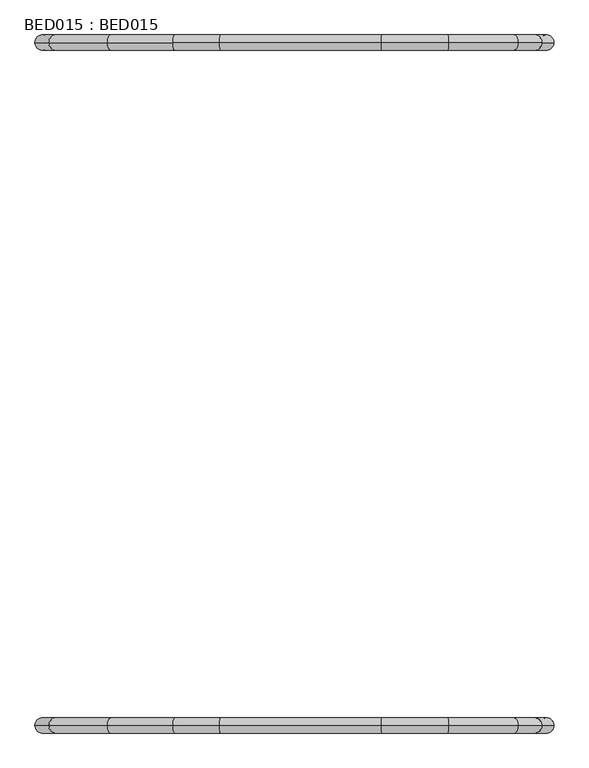
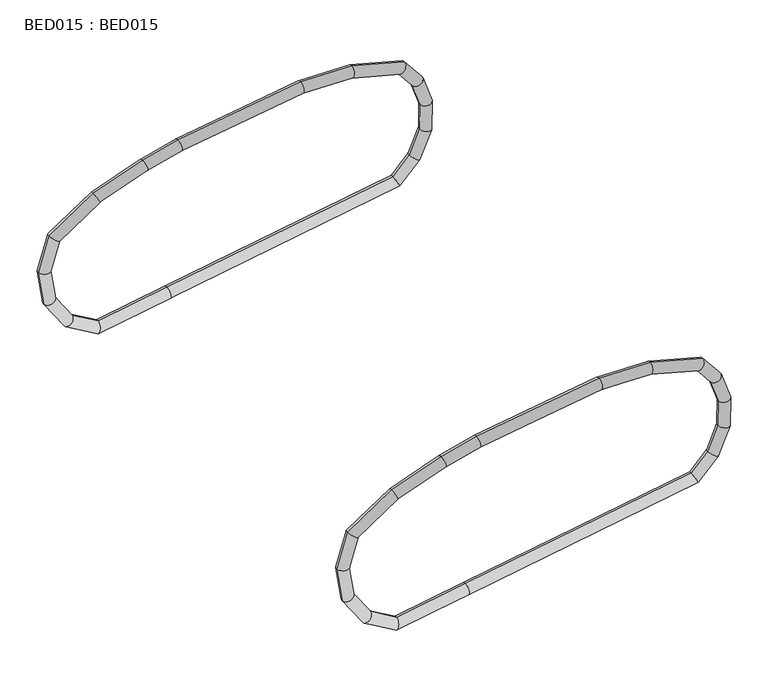
"""IFC4 building model written with IfcOpenShell, lengths in millimetres: proxy geometry, BED015 : BED015."""

import ifcopenshell
import ifcopenshell.guid

model = None  # the IFC model being written
_history = None  # IfcOwnerHistory: only IFC2X3 demands one
_inside = {}  # id of a spatial element -> (the spatial element, [elements in it])
_under = {}  # id of a project, library or spatial element -> (it, [spatial elements below it])
_declared = {}  # id of a project -> (the project, [libraries it declares])
_typed = {}  # id of a type object -> (the type object, [elements of that type])
_made_of = {}  # id of a material, layer set ... -> (it, [elements and type objects made of it])


def new_model(schema):
    """Start an empty IFC model of exactly this schema.

    Asked for "IFC4X3", IfcOpenShell would pick the latest addendum, in which some entities
    have other attributes; the version numbers below select the first issue.
    IFC2X3 requires an IfcOwnerHistory on every rooted entity: one is made here for all.
    """
    global model, _history
    if schema == "IFC4X3":
        model = ifcopenshell.file(schema_version=(4, 3, 0, 0))
    else:
        model = ifcopenshell.file(schema=schema)
    _inside.clear()
    _under.clear()
    _declared.clear()
    _typed.clear()
    _made_of.clear()
    _history = None
    if model.schema == "IFC2X3":
        org = make("IfcOrganization", Name="unknown")
        user = make(
            "IfcPersonAndOrganization",
            ThePerson=make("IfcPerson", FamilyName="unknown"),
            TheOrganization=org,
        )
        app = make(
            "IfcApplication",
            ApplicationDeveloper=org,
            Version="unknown",
            ApplicationFullName="unknown",
            ApplicationIdentifier="unknown",
        )
        _history = make(
            "IfcOwnerHistory",
            OwningUser=user,
            OwningApplication=app,
            ChangeAction="ADDED",
            CreationDate=0,
        )
    return model


def make(cls, **values):
    """One entity of the class cls with the attributes given. An attribute that is None is left unset."""
    return model.create_entity(
        cls, **{name: value for name, value in values.items() if value is not None}
    )


def rooted(cls, **values):
    """An entity with a GlobalId (a new one), such as an element, a storey or a relation."""
    return make(cls, GlobalId=ifcopenshell.guid.new(), OwnerHistory=_history, **values)


def si_unit(unit_type, name, prefix=None):
    """IfcSIUnit, for example si_unit("LENGTHUNIT", "METRE", prefix="MILLI")."""
    return make("IfcSIUnit", UnitType=unit_type, Prefix=prefix, Name=name)


def assignment(units):
    """IfcUnitAssignment: the units of a project."""
    return None if units is None else make("IfcUnitAssignment", Units=units)


def point(xyz):
    """IfcCartesianPoint."""
    return None if xyz is None else make("IfcCartesianPoint", Coordinates=xyz)


def direction(xyz):
    """IfcDirection."""
    return None if xyz is None else make("IfcDirection", DirectionRatios=xyz)


def frame(location, z_axis=None, x_axis=None):
    """IfcAxis2Placement3D, a coordinate frame: its origin and axes. An axis left out is left unset."""
    return make(
        "IfcAxis2Placement3D",
        Location=point(location),
        Axis=direction(z_axis),
        RefDirection=direction(x_axis),
    )


def origin():
    """The frame at (0, 0, 0) with its axes left unset."""
    return frame((0.0, 0.0, 0.0))


def place(relative_to, where):
    """IfcLocalPlacement: puts the frame where relative to a parent placement (None: the world)."""
    return make(
        "IfcLocalPlacement", PlacementRelTo=relative_to, RelativePlacement=where
    )


def context(
    kind, dimensions, precision=None, world=None, true_north=None, identifier=None
):
    """IfcGeometricRepresentationContext, for example the 3D "Model" context."""
    return make(
        "IfcGeometricRepresentationContext",
        ContextIdentifier=identifier,
        ContextType=kind,
        CoordinateSpaceDimension=dimensions,
        Precision=precision,
        WorldCoordinateSystem=world,
        TrueNorth=true_north,
    )


def project(units=None, contexts=None):
    """IfcProject with its units and contexts."""
    return rooted(
        "IfcProject",
        Name="project",
        RepresentationContexts=contexts,
        UnitsInContext=assignment(units),
    )


def spatial(cls, under=None, at=None, **own):
    """A site, building, storey or space (cls), placed at a placement, below another one or the project."""
    s = rooted(cls, ObjectPlacement=at, **own)
    if under is not None:
        _under.setdefault(under.id(), (under, []))[1].append(s)
    return s


def circle_curve(where, radius):
    """IfcCircle in the frame where."""
    return make("IfcCircle", Position=where, Radius=radius)


def ellipse_curve(where, semi_axis1, semi_axis2):
    """IfcEllipse in the frame where."""
    return make(
        "IfcEllipse", Position=where, SemiAxis1=semi_axis1, SemiAxis2=semi_axis2
    )


def shape(context_of_items, identifier, shape_type, items):
    """IfcShapeRepresentation: the items that make up one representation, for example the "Body"."""
    return make(
        "IfcShapeRepresentation",
        ContextOfItems=context_of_items,
        RepresentationIdentifier=identifier,
        RepresentationType=shape_type,
        Items=items,
    )


def source(mapping_origin, context_of_items, identifier, shape_type, items):
    """IfcRepresentationMap: a shape defined once, which mapped items show again and again."""
    return make(
        "IfcRepresentationMap",
        MappingOrigin=mapping_origin,
        MappedRepresentation=shape(context_of_items, identifier, shape_type, items),
    )


def transform(
    local_origin,
    x_axis=None,
    y_axis=None,
    z_axis=None,
    scale=None,
    scale2=None,
    scale3=None,
    uniform=True,
):
    """IfcCartesianTransformationOperator3D, or its non-uniform kind. x_axis, y_axis, z_axis: its Axis1, 2, 3."""
    if uniform:
        return make(
            "IfcCartesianTransformationOperator3D",
            Axis1=direction(x_axis),
            Axis2=direction(y_axis),
            LocalOrigin=point(local_origin),
            Scale=scale,
            Axis3=direction(z_axis),
        )
    return make(
        "IfcCartesianTransformationOperator3DnonUniform",
        Axis1=direction(x_axis),
        Axis2=direction(y_axis),
        LocalOrigin=point(local_origin),
        Scale=scale,
        Axis3=direction(z_axis),
        Scale2=scale2,
        Scale3=scale3,
    )


def mapped(mapping_source, mapping_target):
    """IfcMappedItem: shows the shape of a source again, moved by a transform."""
    return make(
        "IfcMappedItem", MappingSource=mapping_source, MappingTarget=mapping_target
    )


def made_of(thing, what):
    """Note that an element or type object is made of a material, layer set ...; save() writes the relation."""
    if what is not None:
        _made_of.setdefault(what.id(), (what, []))[1].append(thing)
    return thing


def element(
    cls,
    number,
    at=None,
    inside=None,
    cuts=None,
    type_object=None,
    material=None,
    context=None,
    identifier="Body",
    shape_type=None,
    held_by="IfcProductDefinitionShape",
    body=None,
    shapes=None,
    **own,
):
    """One element of the class cls, such as IfcWall. Its Tag is "e" and its number.

    at: its placement. inside: the storey or other place that contains it. cuts: it is an
    opening in that element (IfcRelVoidsElement). A single representation is given by context,
    identifier, shape_type and body (its items); several are given by shapes. held_by: the class
    of the entity that holds the representations. save() writes the other relations.
    """
    e = rooted(cls, Tag="e%d" % number, ObjectPlacement=at, **own)
    if body is not None:
        shapes = [shape(context, identifier, shape_type, body)]
    if shapes is not None:
        e.Representation = make(held_by, Representations=shapes)
    if inside is not None:
        _inside.setdefault(inside.id(), (inside, []))[1].append(e)
    if cuts is not None:
        rooted(
            "IfcRelVoidsElement", RelatingBuildingElement=cuts, RelatedOpeningElement=e
        )
    if type_object is not None:
        _typed.setdefault(type_object.id(), (type_object, []))[1].append(e)
    return made_of(e, material)


def aggregate(whole, parts):
    """IfcRelAggregates: a whole, such as a stair, and the parts it consists of."""
    return rooted("IfcRelAggregates", RelatingObject=whole, RelatedObjects=parts)


def save(model, path):
    """Write the relations noted so far, then the file.

    IfcRelAggregates (storeys below a building ...), IfcRelContainedInSpatialStructure (elements
    in a storey), IfcRelDefinesByType, IfcRelAssociatesMaterial and IfcRelDeclares: one each for
    every whole, place, type object, material and project.
    """
    for whole, parts in _under.values():
        aggregate(whole, parts)
    for where, things in _inside.values():
        rooted(
            "IfcRelContainedInSpatialStructure",
            RelatedElements=things,
            RelatingStructure=where,
        )
    for kind, things in _typed.values():
        rooted("IfcRelDefinesByType", RelatedObjects=things, RelatingType=kind)
    for what, things in _made_of.values():
        rooted("IfcRelAssociatesMaterial", RelatedObjects=things, RelatingMaterial=what)
    for by, libraries in _declared.values():
        rooted("IfcRelDeclares", RelatingContext=by, RelatedDefinitions=libraries)
    model.write(path)


def cylinder_surface(at, radius):
    """IfcCylindricalSurface: all points at the distance radius from the z axis of the frame at."""
    return make("IfcCylindricalSurface", Position=at, Radius=radius)


def advanced_brep(points, edges, surfaces, faces):
    """IfcAdvancedBrep: a solid bounded by faces that lie on surfaces and meet in shared edges.

    An edge is (start, end): straight between two places in points (the first is 0);
    or (start, end, curve); or (start, end, curve, False) where it runs against its curve.
    A face is (place in surfaces, loops), or (place, loops, False) where it looks against
    its surface's normal. A loop lists edges by number (the first is 1), with a minus sign
    where the edge is run from its end to its start. The first loop is the outer one.
    """
    corners = [point(p) for p in points]
    vertices = [make("IfcVertexPoint", VertexGeometry=c) for c in corners]
    made = []
    for start, end, *more in edges:
        made.append(
            make(
                "IfcEdgeCurve",
                EdgeStart=vertices[start],
                EdgeEnd=vertices[end],
                EdgeGeometry=more[0] if more else make("IfcPolyline", Points=[corners[start], corners[end]]),
                SameSense=more[1] if len(more) > 1 else True,
            )
        )
    hull = []
    for where, loops, *sense in faces:
        bounds = []
        for j, loop in enumerate(loops):
            ring = [make("IfcOrientedEdge", EdgeElement=made[abs(k) - 1], Orientation=k > 0) for k in loop]
            bounds.append(
                make(
                    "IfcFaceOuterBound" if j == 0 else "IfcFaceBound",
                    Bound=make("IfcEdgeLoop", EdgeList=ring),
                    Orientation=True,
                )
            )
        hull.append(make("IfcAdvancedFace", Bounds=bounds, FaceSurface=surfaces[where], SameSense=sense[0] if sense else True))
    return make("IfcAdvancedBrep", Outer=make("IfcClosedShell", CfsFaces=hull))


def bed015_bed015_c1af1c51(model_context):
    return source(origin(), model_context, "Body", "AdvancedBrep", [
        advanced_brep(
        [(1320.0134286, -1052.4975002, 734.6955513), (1300.2664581, -1052.4975002, 749.3244763), (1388.9695051, -1052.4975002, 808.3729209), (1399.4397262, -1052.4975002, 787.5685867), (1488.7012363, -1052.4975002, 844.2360982), (1495.478822, -1052.4975002, 822.1039053), (1559.8152408, -1052.4975002, 862.328631), (1564.4188805, -1052.4975002, 839.6433517), (1806.7401892, -1052.4975002, 899.9765683), (1808.2097978, -1052.4975002, 876.8134523), (1910.0801343, -1052.4975002, 897.435999), (1906.7818383, -1052.4975002, 874.3901), (2016.0217488, -1052.4975002, 869.2842314), (2002.7983539, -1052.4975002, 848.8757197), (2052.1908023, -1052.4975002, 824.61917), (2031.6576495, -1052.4975002, 813.2374575), (2070.690254, -1052.4975002, 770.8928612), (2047.5026269, -1052.4975002, 767.2203019), (2069.6375997, -1052.4975002, 710.5863383), (2046.5995529, -1052.4975002, 715.4832263), (2045.7444661, -1052.4975002, 654.2976428), (2026.1366915, -1052.4975002, 667.2757457), (2004.1092848, -1052.4975002, 611.1831505), (1992.7741923, -1052.4975002, 632.7278665), (1542.1878074, -1052.4975002, 533.8885283), (1538.3721238, -1052.4975002, 556.6914882), (1395.3267662, -1052.4975002, 509.3122481), (1399.7130929, -1052.4975002, 533.4877633), (1331.1096938, -1052.4975002, 546.4888484), (1347.2303117, -1052.4975002, 563.8711381), (1290.0793499, -1052.4975002, 606.4553402), (1312.1205356, -1052.4975002, 615.1846272), (1278.9247222, -1052.4975002, 678.2548369), (1302.5752641, -1052.4975002, 676.6251081)],
        [
            (0, 1, ellipse_curve(frame((1310.1399433, -1052.4975002, 742.0100138), z_axis=(0.5952679977964419, 0.0, 0.8035272309009914), x_axis=(-0.8035272309009917, 0.0, 0.5952679977964418)), 12.2876797, 11.5600002)),
            (1, 2),
            (2, 3, ellipse_curve(frame((1394.2046157, -1052.4975002, 797.9707538), z_axis=(-0.8932553497472319, 0.0, -0.4495496414723854), x_axis=(0.4495496414723843, 0.0, -0.8932553497472325)), 11.6452335, 11.5600002)),
            (3, 0),
            (1, 0, ellipse_curve(frame((1310.1399433, -1052.4975002, 742.0100138), z_axis=(0.5952679977964419, 0.0, 0.8035272309009914), x_axis=(-0.8035272309009917, 0.0, 0.5952679977964418)), 12.2876797, 11.5600002)),
            (3, 2, ellipse_curve(frame((1394.2046157, -1052.4975002, 797.9707538), z_axis=(-0.8932553497472319, 0.0, -0.4495496414723854), x_axis=(0.4495496414723843, 0.0, -0.8932553497472325)), 11.6452335, 11.5600002)),
            (2, 4),
            (4, 5, ellipse_curve(frame((1492.0900291, -1052.4975002, 833.1700018), z_axis=(-0.9561706318018292, 0.0, -0.29281004572878155), x_axis=(0.2928100457287881, 0.0, -0.9561706318018269)), 11.573349, 11.5600002)),
            (5, 3),
            (5, 4, ellipse_curve(frame((1492.0900291, -1052.4975002, 833.1700018), z_axis=(-0.9561706318018292, 0.0, -0.29281004572878155), x_axis=(0.2928100457287881, 0.0, -0.9561706318018269)), 11.573349, 11.5600002)),
            (4, 6),
            (6, 7, ellipse_curve(frame((1562.1170607, -1052.4975002, 850.9859914), z_axis=(-0.9800236061154073, 0.0, -0.19888119935416934), x_axis=(0.19888119935416562, 0.0, -0.9800236061154081)), 11.5738433, 11.5600002)),
            (7, 5),
            (7, 6, ellipse_curve(frame((1562.1170607, -1052.4975002, 850.9859914), z_axis=(-0.9800236061154073, 0.0, -0.19888119935416934), x_axis=(0.19888119935416562, 0.0, -0.9800236061154081)), 11.5738433, 11.5600002)),
            (6, 8),
            (8, 9, ellipse_curve(frame((1807.4749935, -1052.4975002, 888.3950103), z_axis=(-0.9979933545134322, 0.0, -0.06331875193832393), x_axis=(0.06331875193832581, 0.0, -0.997993354513432)), 11.6048448, 11.5600002)),
            (9, 7),
            (9, 8, ellipse_curve(frame((1807.4749935, -1052.4975002, 888.3950103), z_axis=(-0.9979933545134322, 0.0, -0.06331875193832393), x_axis=(0.06331875193832581, 0.0, -0.997993354513432)), 11.6048448, 11.5600002)),
            (8, 10),
            (10, 11, ellipse_curve(frame((1908.4309863, -1052.4975002, 885.9130495), z_axis=(-0.9899132313294727, 0.0, 0.1416749605217578), x_axis=(-0.14167496052175985, 0.0, -0.9899132313294725)), 11.6403632, 11.5600002)),
            (11, 9),
            (11, 10, ellipse_curve(frame((1908.4309863, -1052.4975002, 885.9130495), z_axis=(-0.9899132313294727, 0.0, 0.1416749605217578), x_axis=(-0.14167496052175985, 0.0, -0.9899132313294725)), 11.6403632, 11.5600002)),
            (10, 12),
            (12, 13, ellipse_curve(frame((2009.4100513, -1052.4975002, 859.0799755), z_axis=(-0.8392345109165832, 0.0, 0.5437696531497539), x_axis=(-0.5437696531497532, 0.0, -0.8392345109165835)), 12.1590041, 11.5600002)),
            (13, 11),
            (13, 12, ellipse_curve(frame((2009.4100513, -1052.4975002, 859.0799755), z_axis=(-0.8392345109165832, 0.0, 0.5437696531497539), x_axis=(-0.5437696531497532, 0.0, -0.8392345109165835)), 12.1590041, 11.5600002)),
            (12, 14),
            (14, 15, ellipse_curve(frame((2041.9242259, -1052.4975002, 818.9283138), z_axis=(-0.48480962024633395, 0.0, 0.8746197071393975), x_axis=(-0.8746197071393975, 0.0, -0.48480962024633395)), 11.7383319, 11.5600002)),
            (15, 13),
            (15, 14, ellipse_curve(frame((2041.9242259, -1052.4975002, 818.9283138), z_axis=(-0.48480962024633395, 0.0, 0.8746197071393975), x_axis=(-0.8746197071393975, 0.0, -0.48480962024633395)), 11.7383319, 11.5600002)),
            (14, 16),
            (16, 17, ellipse_curve(frame((2059.0964405, -1052.4975002, 769.0565816), z_axis=(-0.15643446504022743, 0.0, 0.9876883405951383), x_axis=(-0.9876883405951382, 0.0, -0.15643446504022812)), 11.7383319, 11.5600002)),
            (17, 15),
            (17, 16, ellipse_curve(frame((2059.0964405, -1052.4975002, 769.0565816), z_axis=(-0.15643446504022743, 0.0, 0.9876883405951383), x_axis=(-0.9876883405951382, 0.0, -0.15643446504022812)), 11.7383319, 11.5600002)),
            (16, 18),
            (18, 19, ellipse_curve(frame((2058.1185763, -1052.4975002, 713.0347823), z_axis=(0.2079116908177615, 0.0, 0.9781476007338051), x_axis=(-0.9781476007338051, 0.0, 0.20791169081776167)), 11.7763652, 11.5600002)),
            (19, 17),
            (19, 18, ellipse_curve(frame((2058.1185763, -1052.4975002, 713.0347823), z_axis=(0.2079116908177615, 0.0, 0.9781476007338051), x_axis=(-0.9781476007338051, 0.0, 0.20791169081776167)), 11.7763652, 11.5600002)),
            (18, 20),
            (20, 21, ellipse_curve(frame((2035.9405788, -1052.4975002, 660.7866943), z_axis=(0.5519369853120589, 0.0, 0.8338858220671678), x_axis=(-0.8338858220671681, 0.0, 0.5519369853120583)), 11.7568701, 11.5600002)),
            (21, 19),
            (21, 20, ellipse_curve(frame((2035.9405788, -1052.4975002, 660.7866943), z_axis=(0.5519369853120589, 0.0, 0.8338858220671678), x_axis=(-0.8338858220671681, 0.0, 0.5519369853120583)), 11.7568701, 11.5600002)),
            (20, 22),
            (22, 23, ellipse_curve(frame((1998.4417385, -1052.4975002, 621.9555085), z_axis=(0.8849898549562426, 0.0, 0.4656103055394379), x_axis=(-0.4656103055394383, 0.0, 0.8849898549562423)), 12.1722955, 11.5600002)),
            (23, 21),
            (23, 22, ellipse_curve(frame((1998.4417385, -1052.4975002, 621.9555085), z_axis=(0.8849898549562426, 0.0, 0.4656103055394379), x_axis=(-0.4656103055394383, 0.0, 0.8849898549562423)), 12.1722955, 11.5600002)),
            (22, 24),
            (24, 25, circle_curve(frame((1540.2799656, -1052.4975002, 545.2900083), z_axis=(0.9862871735809206, 0.0, 0.16503821142317043), x_axis=(-0.16503821142317043, 0.0, 0.9862871735809206)), 11.5600002)),
            (25, 23),
            (25, 24, circle_curve(frame((1540.2799656, -1052.4975002, 545.2900083), z_axis=(0.9862871735809206, 0.0, 0.16503821142317043), x_axis=(-0.16503821142317043, 0.0, 0.9862871735809206)), 11.5600002)),
            (24, 26),
            (26, 27, ellipse_curve(frame((1397.5199295, -1052.4975002, 521.4000057), z_axis=(0.9839358981166166, 0.0, -0.1785221229916524), x_axis=(0.17852212299165318, 0.0, 0.9839358981166167)), 12.2851068, 11.5600002)),
            (27, 25),
            (27, 26, ellipse_curve(frame((1397.5199295, -1052.4975002, 521.4000057), z_axis=(0.9839358981166166, 0.0, -0.1785221229916524), x_axis=(0.17852212299165318, 0.0, 0.9839358981166167)), 12.2851068, 11.5600002)),
            (26, 28),
            (28, 29, ellipse_curve(frame((1339.1700027, -1052.4975002, 555.1799932), z_axis=(0.7332156895309062, 0.0, -0.6799961416256108), x_axis=(0.6799961416256104, 0.0, 0.7332156895309067)), 11.8534628, 11.5600002)),
            (29, 27),
            (29, 28, ellipse_curve(frame((1339.1700027, -1052.4975002, 555.1799932), z_axis=(0.7332156895309062, 0.0, -0.6799961416256108), x_axis=(0.6799961416256104, 0.0, 0.7332156895309067)), 11.8534628, 11.5600002)),
            (28, 30),
            (30, 31, ellipse_curve(frame((1301.0999428, -1052.4975002, 610.8199837), z_axis=(0.3682180569071663, 0.0, -0.9297394595086899), x_axis=(0.9297394595086899, 0.0, 0.36821805690716647)), 11.8534206, 11.5600002)),
            (31, 29),
            (31, 30, ellipse_curve(frame((1301.0999428, -1052.4975002, 610.8199837), z_axis=(0.3682180569071663, 0.0, -0.9297394595086899), x_axis=(0.9297394595086899, 0.0, 0.36821805690716647)), 11.8534206, 11.5600002)),
            (30, 32),
            (32, 33, ellipse_curve(frame((1290.7499931, -1052.4975002, 677.4399725), z_axis=(-0.06874570813665698, 0.0, -0.997634215337861), x_axis=(0.9976342153378611, 0.0, -0.06874570813665672)), 11.8533133, 11.5600002)),
            (33, 31),
            (33, 32, ellipse_curve(frame((1290.7499931, -1052.4975002, 677.4399725), z_axis=(-0.06874570813665698, 0.0, -0.997634215337861), x_axis=(0.9976342153378611, 0.0, -0.06874570813665672)), 11.8533133, 11.5600002)),
            (32, 1),
            (0, 33),
        ],
        [
            cylinder_surface(frame((1310.1399433, -1052.4975002, 742.0100138), z_axis=(-0.832426576779431, 0.0, -0.554135357355293), x_axis=(0.554135357355293, 0.0, -0.832426576779431)), 11.5600002),
            cylinder_surface(frame((1394.2046157, -1052.4975002, 797.9707538), z_axis=(-0.9410083725782241, 0.0, -0.33838327786355255), x_axis=(0.33838327786355255, 0.0, -0.9410083725782241)), 11.5600002),
            cylinder_surface(frame((1492.0900291, -1052.4975002, 833.1700018), z_axis=(-0.9691271836157477, 0.0, -0.24656135540065702), x_axis=(0.24656135540065702, 0.0, -0.9691271836157477)), 11.5600002),
            cylinder_surface(frame((1562.1170607, -1052.4975002, 850.9859914), z_axis=(-0.9885756854283565, 0.0, -0.15072529376271013), x_axis=(0.15072529376271013, 0.0, -0.9885756854283565)), 11.5600002),
            cylinder_surface(frame((1807.4749935, -1052.4975002, 888.3950103), z_axis=(-0.9996979361061843, 0.0, 0.02457715494184779), x_axis=(-0.02457715494184779, 0.0, -0.9996979361061843)), 11.5600002),
            cylinder_surface(frame((1908.4309863, -1052.4975002, 885.9130495), z_axis=(-0.9664601644690195, 0.0, 0.25681656974291167), x_axis=(-0.25681656974291167, 0.0, -0.9664601644690195)), 11.5600002),
            cylinder_surface(frame((2009.4100513, -1052.4975002, 859.0799755), z_axis=(-0.6293203910498337, 0.0, 0.777145961456974), x_axis=(-0.777145961456974, 0.0, -0.6293203910498337)), 11.5600002),
            cylinder_surface(frame((2041.9242259, -1052.4975002, 818.9283138), z_axis=(-0.3255681544571546, 0.0, 0.9455185755993176), x_axis=(-0.9455185755993176, 0.0, -0.3255681544571546)), 11.5600002),
            cylinder_surface(frame((2059.0964405, -1052.4975002, 769.0565816), z_axis=(0.017452406437288237, 0.0, 0.9998476951563912), x_axis=(-0.9998476951563912, 0.0, 0.017452406437288237)), 11.5600002),
            cylinder_surface(frame((2058.1185763, -1052.4975002, 713.0347823), z_axis=(0.3907311284892735, 0.0, 0.9205048534524405), x_axis=(-0.9205048534524405, 0.0, 0.3907311284892735)), 11.5600002),
            cylinder_surface(frame((2035.9405788, -1052.4975002, 660.7866943), z_axis=(0.6946583704589988, 0.0, 0.7193398003386497), x_axis=(-0.7193398003386497, 0.0, 0.6946583704589988)), 11.5600002),
            cylinder_surface(frame((1998.4417385, -1052.4975002, 621.9555085), z_axis=(0.9862871735809206, 0.0, 0.16503821142317043), x_axis=(-0.16503821142317043, 0.0, 0.9862871735809206)), 11.5600002),
            cylinder_surface(frame((1540.2799656, -1052.4975002, 545.2900083), z_axis=(0.9862854152700605, 0.0, 0.1650487189455413), x_axis=(-0.1650487189455413, 0.0, 0.9862854152700605)), 11.5600002),
            cylinder_surface(frame((1397.5199295, -1052.4975002, 521.4000057), z_axis=(0.8654362474008165, 0.0, -0.5010190631949972), x_axis=(0.5010190631949972, 0.0, 0.8654362474008165)), 11.5600002),
            cylinder_surface(frame((1339.1700027, -1052.4975002, 555.1799932), z_axis=(0.5646899050823787, 0.0, -0.8253031631455524), x_axis=(0.8253031631455524, 0.0, 0.5646899050823787)), 11.5600002),
            cylinder_surface(frame((1301.0999428, -1052.4975002, 610.8199837), z_axis=(0.15351642236145052, 0.0, -0.9881460965187996), x_axis=(0.9881460965187996, 0.0, 0.15351642236145052)), 11.5600002),
            cylinder_surface(frame((1290.7499931, -1052.4975002, 677.4399725), z_axis=(-0.28760558060629293, 0.0, -0.9577489389209038), x_axis=(0.9577489389209038, 0.0, -0.28760558060629293)), 11.5600002),
        ],
        [
            (0, [[1, 2, 3, 4]]),
            (0, [[5, -4, 6, -2]]),
            (1, [[-3, 7, 8, 9]]),
            (1, [[-6, -9, 10, -7]]),
            (2, [[-8, 11, 12, 13]]),
            (2, [[-10, -13, 14, -11]]),
            (3, [[-12, 15, 16, 17]]),
            (3, [[-14, -17, 18, -15]]),
            (4, [[-16, 19, 20, 21]]),
            (4, [[-18, -21, 22, -19]]),
            (5, [[-20, 23, 24, 25]]),
            (5, [[-22, -25, 26, -23]]),
            (6, [[-24, 27, 28, 29]]),
            (6, [[-26, -29, 30, -27]]),
            (7, [[-28, 31, 32, 33]]),
            (7, [[-30, -33, 34, -31]]),
            (8, [[-32, 35, 36, 37]]),
            (8, [[-34, -37, 38, -35]]),
            (9, [[-36, 39, 40, 41]]),
            (9, [[-38, -41, 42, -39]]),
            (10, [[-40, 43, 44, 45]]),
            (10, [[-42, -45, 46, -43]]),
            (11, [[-44, 47, 48, 49]]),
            (11, [[-46, -49, 50, -47]]),
            (12, [[-48, 51, 52, 53]]),
            (12, [[-50, -53, 54, -51]]),
            (13, [[-52, 55, 56, 57]]),
            (13, [[-54, -57, 58, -55]]),
            (14, [[-56, 59, 60, 61]]),
            (14, [[-58, -61, 62, -59]]),
            (15, [[-60, 63, 64, 65]]),
            (15, [[-62, -65, 66, -63]]),
            (16, [[-64, 67, -1, 68]]),
            (16, [[-66, -68, -5, -67]]),
        ],
    ),
        advanced_brep(
        [(1320.0134286, -11.5600002, 734.6955513), (1300.2664581, -11.5600002, 749.3244763), (1388.9695051, -11.5600002, 808.3729209), (1399.4397262, -11.5600002, 787.5685867), (1488.7012363, -11.5600002, 844.2360982), (1495.478822, -11.5600002, 822.1039053), (1559.8152408, -11.5600002, 862.328631), (1564.4188805, -11.5600002, 839.6433517), (1806.7401892, -11.5600002, 899.9765683), (1808.2097978, -11.5600002, 876.8134523), (1910.0801343, -11.5600002, 897.435999), (1906.7818383, -11.5600002, 874.3901), (2016.0217488, -11.5600002, 869.2842314), (2002.7983539, -11.5600002, 848.8757197), (2052.1908023, -11.5600002, 824.61917), (2031.6576495, -11.5600002, 813.2374575), (2070.690254, -11.5600002, 770.8928612), (2047.5026269, -11.5600002, 767.2203019), (2069.6375997, -11.5600002, 710.5863383), (2046.5995529, -11.5600002, 715.4832263), (2045.7444661, -11.5600002, 654.2976428), (2026.1366915, -11.5600002, 667.2757457), (2004.1092848, -11.5600002, 611.1831505), (1992.7741923, -11.5600002, 632.7278665), (1542.1878074, -11.5600002, 533.8885283), (1538.3721238, -11.5600002, 556.6914882), (1395.3267662, -11.5600002, 509.3122481), (1399.7130929, -11.5600002, 533.4877633), (1331.1096938, -11.5600002, 546.4888484), (1347.2303117, -11.5600002, 563.8711381), (1290.0793499, -11.5600002, 606.4553402), (1312.1205356, -11.5600002, 615.1846272), (1278.9247222, -11.5600002, 678.2548369), (1302.5752641, -11.5600002, 676.6251081)],
        [
            (0, 1, ellipse_curve(frame((1310.1399433, -11.5600002, 742.0100138), z_axis=(0.5952679977964418, 0.0, 0.8035272309009914), x_axis=(-0.8035272309009919, 0.0, 0.5952679977964414)), 12.2876797, 11.5600002)),
            (1, 2),
            (2, 3, ellipse_curve(frame((1394.2046157, -11.5600002, 797.9707538), z_axis=(-0.8932553497472319, 0.0, -0.4495496414723854), x_axis=(0.4495496414723839, 0.0, -0.8932553497472326)), 11.6452335, 11.5600002)),
            (3, 0),
            (1, 0, ellipse_curve(frame((1310.1399433, -11.5600002, 742.0100138), z_axis=(0.5952679977964418, 0.0, 0.8035272309009914), x_axis=(-0.8035272309009919, 0.0, 0.5952679977964414)), 12.2876797, 11.5600002)),
            (3, 2, ellipse_curve(frame((1394.2046157, -11.5600002, 797.9707538), z_axis=(-0.8932553497472319, 0.0, -0.4495496414723854), x_axis=(0.4495496414723839, 0.0, -0.8932553497472326)), 11.6452335, 11.5600002)),
            (2, 4),
            (4, 5, ellipse_curve(frame((1492.0900291, -11.5600002, 833.1700018), z_axis=(-0.9561706318018292, 0.0, -0.29281004572878155), x_axis=(0.2928100457287881, 0.0, -0.9561706318018269)), 11.573349, 11.5600002)),
            (5, 3),
            (5, 4, ellipse_curve(frame((1492.0900291, -11.5600002, 833.1700018), z_axis=(-0.9561706318018292, 0.0, -0.29281004572878155), x_axis=(0.2928100457287881, 0.0, -0.9561706318018269)), 11.573349, 11.5600002)),
            (4, 6),
            (6, 7, ellipse_curve(frame((1562.1170607, -11.5600002, 850.9859914), z_axis=(-0.9800236061154073, 0.0, -0.19888119935416929), x_axis=(0.19888119935416562, 0.0, -0.9800236061154081)), 11.5738433, 11.5600002)),
            (7, 5),
            (7, 6, ellipse_curve(frame((1562.1170607, -11.5600002, 850.9859914), z_axis=(-0.9800236061154073, 0.0, -0.19888119935416929), x_axis=(0.19888119935416562, 0.0, -0.9800236061154081)), 11.5738433, 11.5600002)),
            (6, 8),
            (8, 9, ellipse_curve(frame((1807.4749935, -11.5600002, 888.3950103), z_axis=(-0.9979933545134322, 0.0, -0.06331875193832387), x_axis=(0.06331875193832455, 0.0, -0.9979933545134321)), 11.6048448, 11.5600002)),
            (9, 7),
            (9, 8, ellipse_curve(frame((1807.4749935, -11.5600002, 888.3950103), z_axis=(-0.9979933545134322, 0.0, -0.06331875193832387), x_axis=(0.06331875193832455, 0.0, -0.9979933545134321)), 11.6048448, 11.5600002)),
            (8, 10),
            (10, 11, ellipse_curve(frame((1908.4309863, -11.5600002, 885.9130495), z_axis=(-0.9899132313294727, 0.0, 0.14167496052175785), x_axis=(-0.14167496052175985, 0.0, -0.9899132313294725)), 11.6403632, 11.5600002)),
            (11, 9),
            (11, 10, ellipse_curve(frame((1908.4309863, -11.5600002, 885.9130495), z_axis=(-0.9899132313294727, 0.0, 0.14167496052175785), x_axis=(-0.14167496052175985, 0.0, -0.9899132313294725)), 11.6403632, 11.5600002)),
            (10, 12),
            (12, 13, ellipse_curve(frame((2009.4100513, -11.5600002, 859.0799755), z_axis=(-0.8392345109165832, 0.0, 0.5437696531497539), x_axis=(-0.5437696531497532, 0.0, -0.8392345109165834)), 12.1590041, 11.5600002)),
            (13, 11),
            (13, 12, ellipse_curve(frame((2009.4100513, -11.5600002, 859.0799755), z_axis=(-0.8392345109165832, 0.0, 0.5437696531497539), x_axis=(-0.5437696531497532, 0.0, -0.8392345109165834)), 12.1590041, 11.5600002)),
            (12, 14),
            (14, 15, ellipse_curve(frame((2041.9242259, -11.5600002, 818.9283138), z_axis=(-0.4848096202463341, 0.0, 0.8746197071393976), x_axis=(-0.8746197071393962, 0.0, -0.484809620246336)), 11.7383319, 11.5600002)),
            (15, 13),
            (15, 14, ellipse_curve(frame((2041.9242259, -11.5600002, 818.9283138), z_axis=(-0.4848096202463341, 0.0, 0.8746197071393976), x_axis=(-0.8746197071393962, 0.0, -0.484809620246336)), 11.7383319, 11.5600002)),
            (14, 16),
            (16, 17, ellipse_curve(frame((2059.0964405, -11.5600002, 769.0565816), z_axis=(-0.1564344650402275, 0.0, 0.9876883405951383), x_axis=(-0.9876883405951382, 0.0, -0.15643446504022815)), 11.7383319, 11.5600002)),
            (17, 15),
            (17, 16, ellipse_curve(frame((2059.0964405, -11.5600002, 769.0565816), z_axis=(-0.1564344650402275, 0.0, 0.9876883405951383), x_axis=(-0.9876883405951382, 0.0, -0.15643446504022815)), 11.7383319, 11.5600002)),
            (16, 18),
            (18, 19, ellipse_curve(frame((2058.1185763, -11.5600002, 713.0347823), z_axis=(0.20791169081776137, 0.0, 0.9781476007338051), x_axis=(-0.9781476007338051, 0.0, 0.20791169081776228)), 11.7763652, 11.5600002)),
            (19, 17),
            (19, 18, ellipse_curve(frame((2058.1185763, -11.5600002, 713.0347823), z_axis=(0.20791169081776137, 0.0, 0.9781476007338051), x_axis=(-0.9781476007338051, 0.0, 0.20791169081776228)), 11.7763652, 11.5600002)),
            (18, 20),
            (20, 21, ellipse_curve(frame((2035.9405788, -11.5600002, 660.7866943), z_axis=(0.5519369853120589, 0.0, 0.8338858220671678), x_axis=(-0.8338858220671681, 0.0, 0.5519369853120586)), 11.7568701, 11.5600002)),
            (21, 19),
            (21, 20, ellipse_curve(frame((2035.9405788, -11.5600002, 660.7866943), z_axis=(0.5519369853120589, 0.0, 0.8338858220671678), x_axis=(-0.8338858220671681, 0.0, 0.5519369853120586)), 11.7568701, 11.5600002)),
            (20, 22),
            (22, 23, ellipse_curve(frame((1998.4417385, -11.5600002, 621.9555085), z_axis=(0.8849898549562426, 0.0, 0.465610305539438), x_axis=(-0.46561030553943844, 0.0, 0.8849898549562424)), 12.1722955, 11.5600002)),
            (23, 21),
            (23, 22, ellipse_curve(frame((1998.4417385, -11.5600002, 621.9555085), z_axis=(0.8849898549562426, 0.0, 0.465610305539438), x_axis=(-0.46561030553943844, 0.0, 0.8849898549562424)), 12.1722955, 11.5600002)),
            (22, 24),
            (24, 25, circle_curve(frame((1540.2799656, -11.5600002, 545.2900083), z_axis=(0.9862871735809206, 0.0, 0.16503821142317057), x_axis=(-0.16503821142317057, 0.0, 0.9862871735809206)), 11.5600002)),
            (25, 23),
            (25, 24, circle_curve(frame((1540.2799656, -11.5600002, 545.2900083), z_axis=(0.9862871735809206, 0.0, 0.16503821142317057), x_axis=(-0.16503821142317057, 0.0, 0.9862871735809206)), 11.5600002)),
            (24, 26),
            (26, 27, ellipse_curve(frame((1397.5199295, -11.5600002, 521.4000057), z_axis=(0.9839358981166166, 0.0, -0.1785221229916522), x_axis=(0.17852212299165318, 0.0, 0.9839358981166167)), 12.2851068, 11.5600002)),
            (27, 25),
            (27, 26, ellipse_curve(frame((1397.5199295, -11.5600002, 521.4000057), z_axis=(0.9839358981166166, 0.0, -0.1785221229916522), x_axis=(0.17852212299165318, 0.0, 0.9839358981166167)), 12.2851068, 11.5600002)),
            (26, 28),
            (28, 29, ellipse_curve(frame((1339.1700027, -11.5600002, 555.1799932), z_axis=(0.7332156895309064, 0.0, -0.6799961416256108), x_axis=(0.6799961416256097, 0.0, 0.733215689530907)), 11.8534628, 11.5600002)),
            (29, 27),
            (29, 28, ellipse_curve(frame((1339.1700027, -11.5600002, 555.1799932), z_axis=(0.7332156895309064, 0.0, -0.6799961416256108), x_axis=(0.6799961416256097, 0.0, 0.733215689530907)), 11.8534628, 11.5600002)),
            (28, 30),
            (30, 31, ellipse_curve(frame((1301.0999428, -11.5600002, 610.8199837), z_axis=(0.36821805690716647, 0.0, -0.92973945950869), x_axis=(0.9297394595086892, 0.0, 0.3682180569071679)), 11.8534206, 11.5600002)),
            (31, 29),
            (31, 30, ellipse_curve(frame((1301.0999428, -11.5600002, 610.8199837), z_axis=(0.36821805690716647, 0.0, -0.92973945950869), x_axis=(0.9297394595086892, 0.0, 0.3682180569071679)), 11.8534206, 11.5600002)),
            (30, 32),
            (32, 33, ellipse_curve(frame((1290.7499931, -11.5600002, 677.4399725), z_axis=(-0.06874570813665683, 0.0, -0.997634215337861), x_axis=(0.9976342153378611, 0.0, -0.06874570813665622)), 11.8533133, 11.5600002)),
            (33, 31),
            (33, 32, ellipse_curve(frame((1290.7499931, -11.5600002, 677.4399725), z_axis=(-0.06874570813665683, 0.0, -0.997634215337861), x_axis=(0.9976342153378611, 0.0, -0.06874570813665622)), 11.8533133, 11.5600002)),
            (32, 1),
            (0, 33),
        ],
        [
            cylinder_surface(frame((1310.1399433, -11.5600002, 742.0100138), z_axis=(-0.8324265767794309, 0.0, -0.554135357355293), x_axis=(0.554135357355293, 0.0, -0.8324265767794309)), 11.5600002),
            cylinder_surface(frame((1394.2046157, -11.5600002, 797.9707538), z_axis=(-0.9410083725782241, 0.0, -0.33838327786355255), x_axis=(0.33838327786355255, 0.0, -0.9410083725782241)), 11.5600002),
            cylinder_surface(frame((1492.0900291, -11.5600002, 833.1700018), z_axis=(-0.9691271836157477, 0.0, -0.24656135540065696), x_axis=(0.24656135540065696, 0.0, -0.9691271836157477)), 11.5600002),
            cylinder_surface(frame((1562.1170607, -11.5600002, 850.9859914), z_axis=(-0.9885756854283565, 0.0, -0.15072529376271007), x_axis=(0.15072529376271007, 0.0, -0.9885756854283565)), 11.5600002),
            cylinder_surface(frame((1807.4749935, -11.5600002, 888.3950103), z_axis=(-0.9996979361061843, 0.0, 0.024577154941847847), x_axis=(-0.024577154941847847, 0.0, -0.9996979361061843)), 11.5600002),
            cylinder_surface(frame((1908.4309863, -11.5600002, 885.9130495), z_axis=(-0.9664601644690195, 0.0, 0.2568165697429117), x_axis=(-0.2568165697429117, 0.0, -0.9664601644690195)), 11.5600002),
            cylinder_surface(frame((2009.4100513, -11.5600002, 859.0799755), z_axis=(-0.6293203910498337, 0.0, 0.777145961456974), x_axis=(-0.777145961456974, 0.0, -0.6293203910498337)), 11.5600002),
            cylinder_surface(frame((2041.9242259, -11.5600002, 818.9283138), z_axis=(-0.32556815445715465, 0.0, 0.9455185755993175), x_axis=(-0.9455185755993175, 0.0, -0.32556815445715465)), 11.5600002),
            cylinder_surface(frame((2059.0964405, -11.5600002, 769.0565816), z_axis=(0.017452406437288126, 0.0, 0.9998476951563913), x_axis=(-0.9998476951563913, 0.0, 0.017452406437288126)), 11.5600002),
            cylinder_surface(frame((2058.1185763, -11.5600002, 713.0347823), z_axis=(0.3907311284892734, 0.0, 0.9205048534524405), x_axis=(-0.9205048534524405, 0.0, 0.3907311284892734)), 11.5600002),
            cylinder_surface(frame((2035.9405788, -11.5600002, 660.7866943), z_axis=(0.6946583704589987, 0.0, 0.7193398003386497), x_axis=(-0.7193398003386497, 0.0, 0.6946583704589987)), 11.5600002),
            cylinder_surface(frame((1998.4417385, -11.5600002, 621.9555085), z_axis=(0.9862871735809206, 0.0, 0.16503821142317057), x_axis=(-0.16503821142317057, 0.0, 0.9862871735809206)), 11.5600002),
            cylinder_surface(frame((1540.2799656, -11.5600002, 545.2900083), z_axis=(0.9862854152700605, 0.0, 0.16504871894554143), x_axis=(-0.16504871894554143, 0.0, 0.9862854152700605)), 11.5600002),
            cylinder_surface(frame((1397.5199295, -11.5600002, 521.4000057), z_axis=(0.8654362474008167, 0.0, -0.5010190631949971), x_axis=(0.5010190631949971, 0.0, 0.8654362474008167)), 11.5600002),
            cylinder_surface(frame((1339.1700027, -11.5600002, 555.1799932), z_axis=(0.5646899050823788, 0.0, -0.8253031631455523), x_axis=(0.8253031631455523, 0.0, 0.5646899050823788)), 11.5600002),
            cylinder_surface(frame((1301.0999428, -11.5600002, 610.8199837), z_axis=(0.15351642236145066, 0.0, -0.9881460965187996), x_axis=(0.9881460965187996, 0.0, 0.15351642236145066)), 11.5600002),
            cylinder_surface(frame((1290.7499931, -11.5600002, 677.4399725), z_axis=(-0.28760558060629277, 0.0, -0.9577489389209038), x_axis=(0.9577489389209038, 0.0, -0.28760558060629277)), 11.5600002),
        ],
        [
            (0, [[1, 2, 3, 4]]),
            (0, [[5, -4, 6, -2]]),
            (1, [[-3, 7, 8, 9]]),
            (1, [[-6, -9, 10, -7]]),
            (2, [[-8, 11, 12, 13]]),
            (2, [[-10, -13, 14, -11]]),
            (3, [[-12, 15, 16, 17]]),
            (3, [[-14, -17, 18, -15]]),
            (4, [[-16, 19, 20, 21]]),
            (4, [[-18, -21, 22, -19]]),
            (5, [[-20, 23, 24, 25]]),
            (5, [[-22, -25, 26, -23]]),
            (6, [[-24, 27, 28, 29]]),
            (6, [[-26, -29, 30, -27]]),
            (7, [[-28, 31, 32, 33]]),
            (7, [[-30, -33, 34, -31]]),
            (8, [[-32, 35, 36, 37]]),
            (8, [[-34, -37, 38, -35]]),
            (9, [[-36, 39, 40, 41]]),
            (9, [[-38, -41, 42, -39]]),
            (10, [[-40, 43, 44, 45]]),
            (10, [[-42, -45, 46, -43]]),
            (11, [[-44, 47, 48, 49]]),
            (11, [[-46, -49, 50, -47]]),
            (12, [[-48, 51, 52, 53]]),
            (12, [[-50, -53, 54, -51]]),
            (13, [[-52, 55, 56, 57]]),
            (13, [[-54, -57, 58, -55]]),
            (14, [[-56, 59, 60, 61]]),
            (14, [[-58, -61, 62, -59]]),
            (15, [[-60, 63, 64, 65]]),
            (15, [[-62, -65, 66, -63]]),
            (16, [[-64, 67, -1, 68]]),
            (16, [[-66, -68, -5, -67]]),
        ],
    ),
    ])


if __name__ == "__main__":
    model = new_model("IFC4")
    model_context = context("Model", 3, world=origin())
    ifc_project = project(units=[si_unit("LENGTHUNIT", "METRE", prefix="MILLI")], contexts=[model_context])
    site = spatial("IfcSite", under=ifc_project)
    building = spatial("IfcBuilding", under=site)
    placement = place(None, origin())
    bed015_bed015_shape = bed015_bed015_c1af1c51(model_context)
    element("IfcBuildingElementProxy", 1, Name="BED015 : BED015", ObjectType="BED015 : BED015", at=placement, inside=building, context=model_context, shape_type="MappedRepresentation", body=[
        mapped(bed015_bed015_shape, transform((0.0, 0.0, 0.0), x_axis=(1.0, 0.0, 0.0), y_axis=(0.0, 1.0, 0.0), z_axis=(0.0, 0.0, 1.0))),
    ])
    save(model, "model.ifc")
